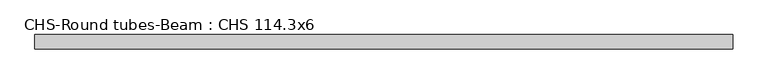
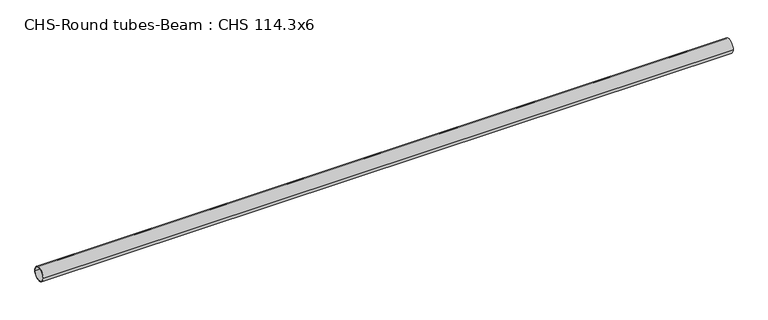
"""IFC4 building model written with IfcOpenShell, lengths in millimetres: beam geometry, CHS-Round tubes-Beam : CHS 114.3x6."""

from ifc_helpers import new_model, si_unit, point, frame, origin, origin_2d, place, context, project, spatial, circle_curve, trimmed, segment, composite_curve, outline, extrude, source, transform, mapped, element, save


def chs_round_tubes_beam_chs_114_3x6_b56eaef1(model_context):
    return source(origin(), model_context, "Body", "SweptSolid", [
        extrude(outline(composite_curve([segment(trimmed(circle_curve(origin_2d(), 57.15), [point((57.15, 0.0))], [point((-57.15, 0.0))], False, "CARTESIAN"), True, "CONTINUOUS"), segment(trimmed(circle_curve(origin_2d(), 57.15), [point((-57.15, 0.0))], [point((57.15, 0.0))], False, "CARTESIAN"), True, "CONTINUOUS")], self_intersect=False), holes=[composite_curve([segment(trimmed(circle_curve(origin_2d(), 51.15), [point((51.15, 0.0))], [point((-51.15, 0.0))], True, "CARTESIAN"), True, "CONTINUOUS"), segment(trimmed(circle_curve(origin_2d(), 51.15), [point((-51.15, 0.0))], [point((51.15, 0.0))], True, "CARTESIAN"), True, "CONTINUOUS")], self_intersect=False)]), frame((-3028.9707339, 0.0, 0.0), z_axis=(1.0, 0.0, 0.0), x_axis=(0.0, 1.0, 0.0)), (0.0, 0.0, 1.0), 5584.3007835),
    ])


if __name__ == "__main__":
    model = new_model("IFC4")
    model_context = context("Model", 3, world=origin())
    ifc_project = project(units=[si_unit("LENGTHUNIT", "METRE", prefix="MILLI")], contexts=[model_context])
    site = spatial("IfcSite", under=ifc_project)
    building = spatial("IfcBuilding", under=site)
    placement = place(None, origin())
    chs_round_tubes_beam_chs_114_3x6_shape = chs_round_tubes_beam_chs_114_3x6_b56eaef1(model_context)
    element("IfcBeam", 1, ObjectType="CHS-Round tubes-Beam : CHS 114.3x6", at=placement, inside=building, context=model_context, shape_type="MappedRepresentation", body=[
        mapped(chs_round_tubes_beam_chs_114_3x6_shape, transform((0.0, 0.0, 0.0), x_axis=(1.0, 0.0, 0.0), y_axis=(0.0, 1.0, 0.0), z_axis=(0.0, 0.0, 1.0))),
    ])
    save(model, "model.ifc")
